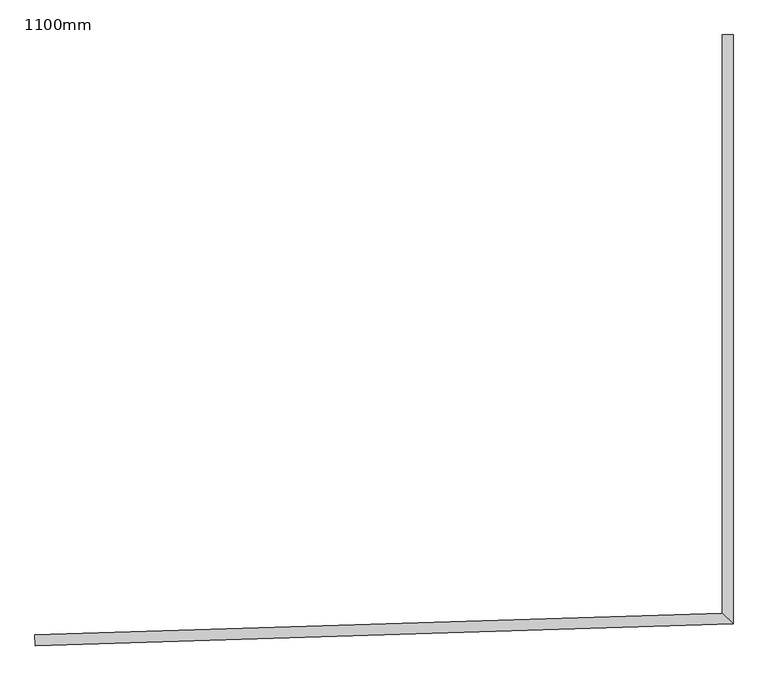
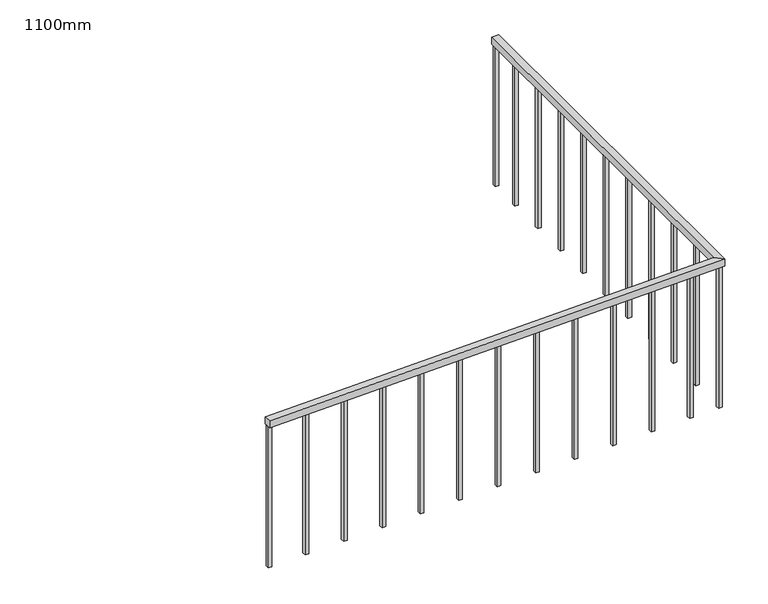
"""IFC4 building model written with IfcOpenShell, lengths in millimetres: railing geometry, 1100mm."""

from ifc_helpers import new_model, si_unit, frame, origin, place, context, project, spatial, polyline, outline, extrude, faceted_brep, source, transform, mapped, element, save


def railing_1100mm_5cdc70b1(model_context):
    return source(origin(), model_context, "Body", "SolidModel", [
        faceted_brep([(-310374.4203922, -113673.1362503, 1900.0), (-310375.9792713, -113623.1605573, 1900.0), (-310375.9792713, -113623.1605573, 1850.0), (-310374.4203922, -113673.1362503, 1850.0), (-307120.1057122, -113571.6252387, 1900.0), (-307170.1057122, -113523.1605573, 1900.0), (-307170.1057122, -113523.1605573, 1850.0), (-307120.1057122, -113571.6252387, 1850.0), (-307120.1057122, -110823.1605573, 1900.0), (-307120.1057122, -110823.1605573, 1850.0), (-307170.1057122, -110823.1605573, 1850.0), (-307170.1057122, -110823.1605573, 1900.0)], [[[0, 1, 2, 3]], [[1, 0, 4, 5]], [[2, 1, 5, 6]], [[3, 2, 6, 7]], [[0, 3, 7, 4]], [[8, 9, 10, 11]], [[5, 4, 8, 11]], [[6, 5, 11, 10]], [[7, 6, 10, 9]], [[4, 7, 9, 8]]]),
        extrude(outline(polyline([(-307132.6057122, -111084.892898), (-307157.6057122, -111084.892898), (-307157.6057122, -111059.892898), (-307132.6057122, -111059.892898), (-307132.6057122, -111084.892898)])), frame((0.0, 0.0, 800.0), z_axis=(0.0, 0.0, 1.0), x_axis=(1.0, 0.0, 0.0)), (0.0, 0.0, 1.0), 1050.0),
        extrude(outline(polyline([(-307132.6057122, -111359.892898), (-307157.6057122, -111359.892898), (-307157.6057122, -111334.892898), (-307132.6057122, -111334.892898), (-307132.6057122, -111359.892898)])), frame((0.0, 0.0, 800.0), z_axis=(0.0, 0.0, 1.0), x_axis=(1.0, 0.0, 0.0)), (0.0, 0.0, 1.0), 1050.0),
        extrude(outline(polyline([(-307132.6057122, -111634.892898), (-307157.6057122, -111634.892898), (-307157.6057122, -111609.892898), (-307132.6057122, -111609.892898), (-307132.6057122, -111634.892898)])), frame((0.0, 0.0, 800.0), z_axis=(0.0, 0.0, 1.0), x_axis=(1.0, 0.0, 0.0)), (0.0, 0.0, 1.0), 1050.0),
        extrude(outline(polyline([(-307132.6057122, -111909.892898), (-307157.6057122, -111909.892898), (-307157.6057122, -111884.892898), (-307132.6057122, -111884.892898), (-307132.6057122, -111909.892898)])), frame((0.0, 0.0, 800.0), z_axis=(0.0, 0.0, 1.0), x_axis=(1.0, 0.0, 0.0)), (0.0, 0.0, 1.0), 1050.0),
        extrude(outline(polyline([(-307132.6057122, -112184.892898), (-307157.6057122, -112184.892898), (-307157.6057122, -112159.892898), (-307132.6057122, -112159.892898), (-307132.6057122, -112184.892898)])), frame((0.0, 0.0, 800.0), z_axis=(0.0, 0.0, 1.0), x_axis=(1.0, 0.0, 0.0)), (0.0, 0.0, 1.0), 1050.0),
        extrude(outline(polyline([(-307132.6057122, -112459.892898), (-307157.6057122, -112459.892898), (-307157.6057122, -112434.892898), (-307132.6057122, -112434.892898), (-307132.6057122, -112459.892898)])), frame((0.0, 0.0, 800.0), z_axis=(0.0, 0.0, 1.0), x_axis=(1.0, 0.0, 0.0)), (0.0, 0.0, 1.0), 1050.0),
        extrude(outline(polyline([(-307132.6057122, -112734.892898), (-307157.6057122, -112734.892898), (-307157.6057122, -112709.892898), (-307132.6057122, -112709.892898), (-307132.6057122, -112734.892898)])), frame((0.0, 0.0, 800.0), z_axis=(0.0, 0.0, 1.0), x_axis=(1.0, 0.0, 0.0)), (0.0, 0.0, 1.0), 1050.0),
        extrude(outline(polyline([(-307132.6057122, -113009.892898), (-307157.6057122, -113009.892898), (-307157.6057122, -112984.892898), (-307132.6057122, -112984.892898), (-307132.6057122, -113009.892898)])), frame((0.0, 0.0, 800.0), z_axis=(0.0, 0.0, 1.0), x_axis=(1.0, 0.0, 0.0)), (0.0, 0.0, 1.0), 1050.0),
        extrude(outline(polyline([(-307132.6057122, -113284.892898), (-307157.6057122, -113284.892898), (-307157.6057122, -113259.892898), (-307132.6057122, -113259.892898), (-307132.6057122, -113284.892898)])), frame((0.0, 0.0, 800.0), z_axis=(0.0, 0.0, 1.0), x_axis=(1.0, 0.0, 0.0)), (0.0, 0.0, 1.0), 1050.0),
        extrude(outline(polyline([(-307363.7746057, -113566.719861), (-307364.5540452, -113541.7320144), (-307339.5661987, -113540.9525749), (-307338.7867591, -113565.9404214), (-307363.7746057, -113566.719861)])), frame((0.0, 0.0, 800.0), z_axis=(0.0, 0.0, 1.0), x_axis=(1.0, 0.0, 0.0)), (0.0, 0.0, 1.0), 1050.0),
        extrude(outline(polyline([(-307638.6409174, -113575.293696), (-307639.420357, -113550.3058495), (-307614.4325105, -113549.52641), (-307613.6530709, -113574.5142565), (-307638.6409174, -113575.293696)])), frame((0.0, 0.0, 800.0), z_axis=(0.0, 0.0, 1.0), x_axis=(1.0, 0.0, 0.0)), (0.0, 0.0, 1.0), 1050.0),
        extrude(outline(polyline([(-307913.5072292, -113583.8675311), (-307914.2866688, -113558.8796846), (-307889.2988223, -113558.100245), (-307888.5193827, -113583.0880916), (-307913.5072292, -113583.8675311)])), frame((0.0, 0.0, 800.0), z_axis=(0.0, 0.0, 1.0), x_axis=(1.0, 0.0, 0.0)), (0.0, 0.0, 1.0), 1050.0),
        extrude(outline(polyline([(-308188.373541, -113592.4413662), (-308189.1529806, -113567.4535197), (-308164.165134, -113566.6740801), (-308163.3856945, -113591.6619266), (-308188.373541, -113592.4413662)])), frame((0.0, 0.0, 800.0), z_axis=(0.0, 0.0, 1.0), x_axis=(1.0, 0.0, 0.0)), (0.0, 0.0, 1.0), 1050.0),
        extrude(outline(polyline([(-308463.2398528, -113601.0152013), (-308464.0192923, -113576.0273547), (-308439.0314458, -113575.2479152), (-308438.2520063, -113600.2357617), (-308463.2398528, -113601.0152013)])), frame((0.0, 0.0, 800.0), z_axis=(0.0, 0.0, 1.0), x_axis=(1.0, 0.0, 0.0)), (0.0, 0.0, 1.0), 1050.0),
        extrude(outline(polyline([(-308738.1061646, -113609.5890364), (-308738.8856041, -113584.6011898), (-308713.8977576, -113583.8217503), (-308713.118318, -113608.8095968), (-308738.1061646, -113609.5890364)])), frame((0.0, 0.0, 800.0), z_axis=(0.0, 0.0, 1.0), x_axis=(1.0, 0.0, 0.0)), (0.0, 0.0, 1.0), 1050.0),
        extrude(outline(polyline([(-309012.9724764, -113618.1628714), (-309013.7519159, -113593.1750249), (-308988.7640694, -113592.3955854), (-308987.9846298, -113617.3834319), (-309012.9724764, -113618.1628714)])), frame((0.0, 0.0, 800.0), z_axis=(0.0, 0.0, 1.0), x_axis=(1.0, 0.0, 0.0)), (0.0, 0.0, 1.0), 1050.0),
        extrude(outline(polyline([(-309287.8387881, -113626.7367065), (-309288.6182277, -113601.74886), (-309263.6303812, -113600.9694204), (-309262.8509416, -113625.957267), (-309287.8387881, -113626.7367065)])), frame((0.0, 0.0, 800.0), z_axis=(0.0, 0.0, 1.0), x_axis=(1.0, 0.0, 0.0)), (0.0, 0.0, 1.0), 1050.0),
        extrude(outline(polyline([(-309562.7050999, -113635.3105416), (-309563.4845395, -113610.3226951), (-309538.4966929, -113609.5432555), (-309537.7172534, -113634.531102), (-309562.7050999, -113635.3105416)])), frame((0.0, 0.0, 800.0), z_axis=(0.0, 0.0, 1.0), x_axis=(1.0, 0.0, 0.0)), (0.0, 0.0, 1.0), 1050.0),
        extrude(outline(polyline([(-309837.5714117, -113643.8843767), (-309838.3508512, -113618.8965301), (-309813.3630047, -113618.1170906), (-309812.5835652, -113643.1049371), (-309837.5714117, -113643.8843767)])), frame((0.0, 0.0, 800.0), z_axis=(0.0, 0.0, 1.0), x_axis=(1.0, 0.0, 0.0)), (0.0, 0.0, 1.0), 1050.0),
        extrude(outline(polyline([(-310112.4377235, -113652.4582117), (-310113.217163, -113627.4703652), (-310088.2293165, -113626.6909257), (-310087.449877, -113651.6787722), (-310112.4377235, -113652.4582117)])), frame((0.0, 0.0, 800.0), z_axis=(0.0, 0.0, 1.0), x_axis=(1.0, 0.0, 0.0)), (0.0, 0.0, 1.0), 1050.0),
        extrude(outline(polyline([(-307157.2099156, -113560.276541), (-307157.9893552, -113535.2886945), (-307133.0015087, -113534.509255), (-307132.2220691, -113559.4971015), (-307157.2099156, -113560.276541)])), frame((0.0, 0.0, 800.0), z_axis=(0.0, 0.0, 1.0), x_axis=(1.0, 0.0, 0.0)), (0.0, 0.0, 1.0), 1050.0),
        extrude(outline(polyline([(-307132.6057122, -110848.1605573), (-307157.6057122, -110848.1605573), (-307157.6057122, -110823.1605573), (-307132.6057122, -110823.1605573), (-307132.6057122, -110848.1605573)])), frame((0.0, 0.0, 800.0), z_axis=(0.0, 0.0, 1.0), x_axis=(1.0, 0.0, 0.0)), (0.0, 0.0, 1.0), 1050.0),
        extrude(outline(polyline([(-310374.810112, -113660.642327), (-310375.5895515, -113635.6544805), (-310350.601705, -113634.875041), (-310349.8222655, -113659.8628875), (-310374.810112, -113660.642327)])), frame((0.0, 0.0, 800.0), z_axis=(0.0, 0.0, 1.0), x_axis=(1.0, 0.0, 0.0)), (0.0, 0.0, 1.0), 1050.0),
    ])


if __name__ == "__main__":
    model = new_model("IFC4")
    model_context = context("Model", 3, world=origin())
    ifc_project = project(units=[si_unit("LENGTHUNIT", "METRE", prefix="MILLI")], contexts=[model_context])
    site = spatial("IfcSite", under=ifc_project)
    building = spatial("IfcBuilding", under=site)
    placement = place(None, origin())
    railing_1100mm_shape = railing_1100mm_5cdc70b1(model_context)
    element("IfcRailing", 1, ObjectType="1100mm", at=placement, inside=building, context=model_context, shape_type="MappedRepresentation", body=[
        mapped(railing_1100mm_shape, transform((0.0, 0.0, 0.0), x_axis=(1.0, 0.0, 0.0), y_axis=(0.0, 1.0, 0.0), z_axis=(0.0, 0.0, 1.0))),
    ])
    save(model, "model.ifc")
